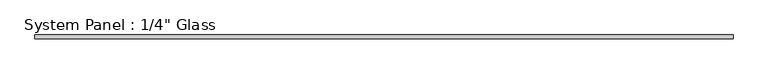
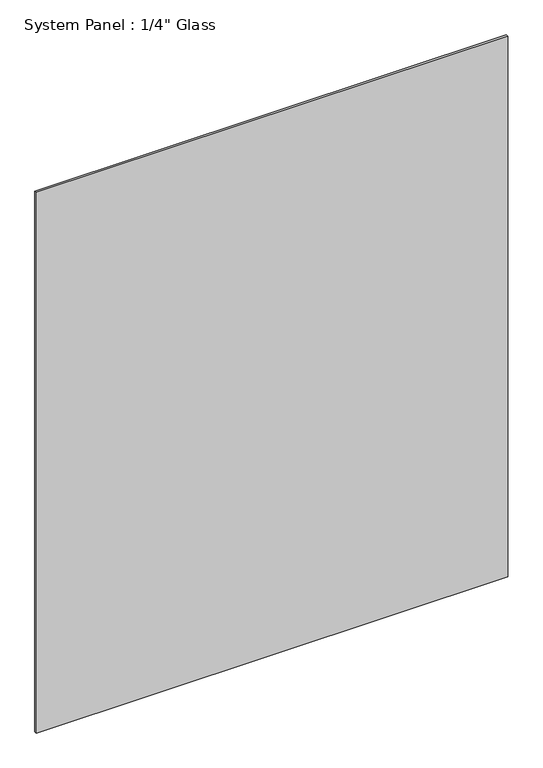
"""IFC4 building model written with IfcOpenShell, lengths in millimetres: plate geometry."""

from ifc_helpers import new_model, si_unit, origin, origin_with_axes, place, context, project, spatial, polyline, outline, extrude, source, transform, mapped, element, save


def plate_858f5d1b(model_context):
    return source(origin(), model_context, "Body", "SweptSolid", [
        extrude(outline(polyline([(609.6, -3.175), (-609.6, -3.175), (-609.6, 3.175), (609.6, 3.175), (609.6, -3.175)])), origin_with_axes(), (0.0, 0.0, 1.0), 1478.3941382),
    ])


if __name__ == "__main__":
    model = new_model("IFC4")
    model_context = context("Model", 3, world=origin())
    ifc_project = project(units=[si_unit("LENGTHUNIT", "METRE", prefix="MILLI")], contexts=[model_context])
    site = spatial("IfcSite", under=ifc_project)
    building = spatial("IfcBuilding", under=site)
    placement = place(None, origin())
    plate_shape = plate_858f5d1b(model_context)
    element("IfcPlate", 1, ObjectType="System Panel : 1/4\" Glass", at=placement, inside=building, context=model_context, shape_type="MappedRepresentation", body=[
        mapped(plate_shape, transform((0.0, 0.0, 0.0), x_axis=(1.0, 0.0, 0.0), y_axis=(0.0, 1.0, 0.0), z_axis=(0.0, 0.0, 1.0))),
    ])
    save(model, "model.ifc")
